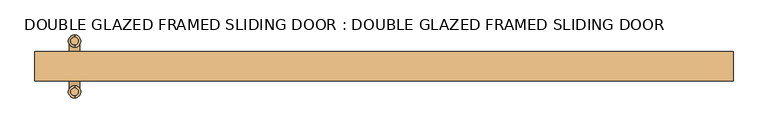
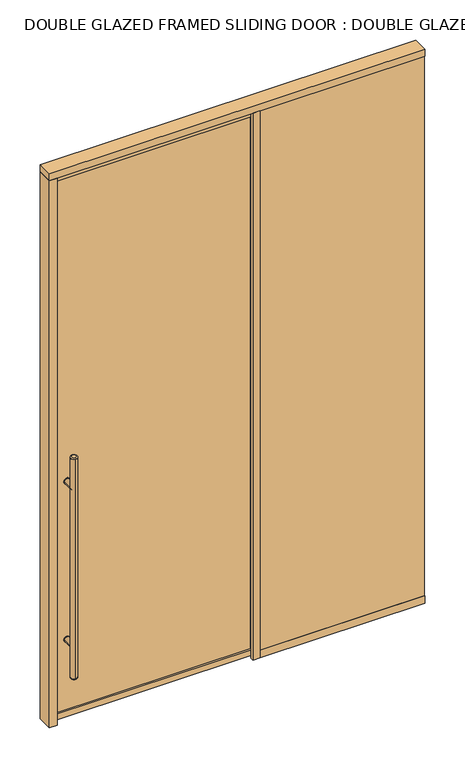
"""IFC4 building model written with IfcOpenShell, lengths in millimetres: door geometry, DOUBLE GLAZED FRAMED SLIDING DOOR : DOUBLE GLAZED FRAMED SLIDING DOOR."""

import ifcopenshell
import ifcopenshell.guid

model = None  # the IFC model being written
_history = None  # IfcOwnerHistory: only IFC2X3 demands one
_inside = {}  # id of a spatial element -> (the spatial element, [elements in it])
_under = {}  # id of a project, library or spatial element -> (it, [spatial elements below it])
_declared = {}  # id of a project -> (the project, [libraries it declares])
_typed = {}  # id of a type object -> (the type object, [elements of that type])
_made_of = {}  # id of a material, layer set ... -> (it, [elements and type objects made of it])


def new_model(schema):
    """Start an empty IFC model of exactly this schema.

    Asked for "IFC4X3", IfcOpenShell would pick the latest addendum, in which some entities
    have other attributes; the version numbers below select the first issue.
    IFC2X3 requires an IfcOwnerHistory on every rooted entity: one is made here for all.
    """
    global model, _history
    if schema == "IFC4X3":
        model = ifcopenshell.file(schema_version=(4, 3, 0, 0))
    else:
        model = ifcopenshell.file(schema=schema)
    _inside.clear()
    _under.clear()
    _declared.clear()
    _typed.clear()
    _made_of.clear()
    _history = None
    if model.schema == "IFC2X3":
        org = make("IfcOrganization", Name="unknown")
        user = make(
            "IfcPersonAndOrganization",
            ThePerson=make("IfcPerson", FamilyName="unknown"),
            TheOrganization=org,
        )
        app = make(
            "IfcApplication",
            ApplicationDeveloper=org,
            Version="unknown",
            ApplicationFullName="unknown",
            ApplicationIdentifier="unknown",
        )
        _history = make(
            "IfcOwnerHistory",
            OwningUser=user,
            OwningApplication=app,
            ChangeAction="ADDED",
            CreationDate=0,
        )
    return model


def make(cls, **values):
    """One entity of the class cls with the attributes given. An attribute that is None is left unset."""
    return model.create_entity(
        cls, **{name: value for name, value in values.items() if value is not None}
    )


def rooted(cls, **values):
    """An entity with a GlobalId (a new one), such as an element, a storey or a relation."""
    return make(cls, GlobalId=ifcopenshell.guid.new(), OwnerHistory=_history, **values)


def si_unit(unit_type, name, prefix=None):
    """IfcSIUnit, for example si_unit("LENGTHUNIT", "METRE", prefix="MILLI")."""
    return make("IfcSIUnit", UnitType=unit_type, Prefix=prefix, Name=name)


def assignment(units):
    """IfcUnitAssignment: the units of a project."""
    return None if units is None else make("IfcUnitAssignment", Units=units)


def point(xyz):
    """IfcCartesianPoint."""
    return None if xyz is None else make("IfcCartesianPoint", Coordinates=xyz)


def direction(xyz):
    """IfcDirection."""
    return None if xyz is None else make("IfcDirection", DirectionRatios=xyz)


def frame(location, z_axis=None, x_axis=None):
    """IfcAxis2Placement3D, a coordinate frame: its origin and axes. An axis left out is left unset."""
    return make(
        "IfcAxis2Placement3D",
        Location=point(location),
        Axis=direction(z_axis),
        RefDirection=direction(x_axis),
    )


def frame_2d(location, x_axis=None):
    """IfcAxis2Placement2D, a coordinate frame in the plane: its origin and x axis."""
    return make(
        "IfcAxis2Placement2D", Location=point(location), RefDirection=direction(x_axis)
    )


def origin():
    """The frame at (0, 0, 0) with its axes left unset."""
    return frame((0.0, 0.0, 0.0))


def origin_with_axes():
    """The frame at (0, 0, 0) with the z axis (0, 0, 1) and the x axis (1, 0, 0) written out."""
    return frame((0.0, 0.0, 0.0), z_axis=(0.0, 0.0, 1.0), x_axis=(1.0, 0.0, 0.0))


def place(relative_to, where):
    """IfcLocalPlacement: puts the frame where relative to a parent placement (None: the world)."""
    return make(
        "IfcLocalPlacement", PlacementRelTo=relative_to, RelativePlacement=where
    )


def context(
    kind, dimensions, precision=None, world=None, true_north=None, identifier=None
):
    """IfcGeometricRepresentationContext, for example the 3D "Model" context."""
    return make(
        "IfcGeometricRepresentationContext",
        ContextIdentifier=identifier,
        ContextType=kind,
        CoordinateSpaceDimension=dimensions,
        Precision=precision,
        WorldCoordinateSystem=world,
        TrueNorth=true_north,
    )


def project(units=None, contexts=None):
    """IfcProject with its units and contexts."""
    return rooted(
        "IfcProject",
        Name="project",
        RepresentationContexts=contexts,
        UnitsInContext=assignment(units),
    )


def spatial(cls, under=None, at=None, **own):
    """A site, building, storey or space (cls), placed at a placement, below another one or the project."""
    s = rooted(cls, ObjectPlacement=at, **own)
    if under is not None:
        _under.setdefault(under.id(), (under, []))[1].append(s)
    return s


def polyline(points):
    """IfcPolyline through the points."""
    return make("IfcPolyline", Points=[point(p) for p in points])


def circle_curve(where, radius):
    """IfcCircle in the frame where."""
    return make("IfcCircle", Position=where, Radius=radius)


def ellipse_curve(where, semi_axis1, semi_axis2):
    """IfcEllipse in the frame where."""
    return make(
        "IfcEllipse", Position=where, SemiAxis1=semi_axis1, SemiAxis2=semi_axis2
    )


def trimmed(basis, trim1, trim2, sense, master):
    """IfcTrimmedCurve: the piece of a basis curve between two trims."""
    return make(
        "IfcTrimmedCurve",
        BasisCurve=basis,
        Trim1=trim1,
        Trim2=trim2,
        SenseAgreement=sense,
        MasterRepresentation=master,
    )


def segment(curve, same_sense, transition):
    """IfcCompositeCurveSegment."""
    return make(
        "IfcCompositeCurveSegment",
        Transition=transition,
        SameSense=same_sense,
        ParentCurve=curve,
    )


def composite_curve(segments, self_intersect=None):
    """IfcCompositeCurve: segments joined end to end."""
    return make("IfcCompositeCurve", Segments=segments, SelfIntersect=self_intersect)


def outline(outer, holes=None, kind="AREA"):
    """IfcArbitraryClosedProfileDef: a profile drawn as a closed curve; with holes, ...WithVoids."""
    if holes is None:
        return make("IfcArbitraryClosedProfileDef", ProfileType=kind, OuterCurve=outer)
    return make(
        "IfcArbitraryProfileDefWithVoids",
        ProfileType=kind,
        OuterCurve=outer,
        InnerCurves=holes,
    )


def extrude(swept, where, along, depth):
    """IfcExtrudedAreaSolid: the profile swept, set in the frame where, extruded along a direction by depth."""
    return make(
        "IfcExtrudedAreaSolid",
        SweptArea=swept,
        Position=where,
        ExtrudedDirection=direction(along),
        Depth=depth,
    )


def shape(context_of_items, identifier, shape_type, items):
    """IfcShapeRepresentation: the items that make up one representation, for example the "Body"."""
    return make(
        "IfcShapeRepresentation",
        ContextOfItems=context_of_items,
        RepresentationIdentifier=identifier,
        RepresentationType=shape_type,
        Items=items,
    )


def source(mapping_origin, context_of_items, identifier, shape_type, items):
    """IfcRepresentationMap: a shape defined once, which mapped items show again and again."""
    return make(
        "IfcRepresentationMap",
        MappingOrigin=mapping_origin,
        MappedRepresentation=shape(context_of_items, identifier, shape_type, items),
    )


def transform(
    local_origin,
    x_axis=None,
    y_axis=None,
    z_axis=None,
    scale=None,
    scale2=None,
    scale3=None,
    uniform=True,
):
    """IfcCartesianTransformationOperator3D, or its non-uniform kind. x_axis, y_axis, z_axis: its Axis1, 2, 3."""
    if uniform:
        return make(
            "IfcCartesianTransformationOperator3D",
            Axis1=direction(x_axis),
            Axis2=direction(y_axis),
            LocalOrigin=point(local_origin),
            Scale=scale,
            Axis3=direction(z_axis),
        )
    return make(
        "IfcCartesianTransformationOperator3DnonUniform",
        Axis1=direction(x_axis),
        Axis2=direction(y_axis),
        LocalOrigin=point(local_origin),
        Scale=scale,
        Axis3=direction(z_axis),
        Scale2=scale2,
        Scale3=scale3,
    )


def mapped(mapping_source, mapping_target):
    """IfcMappedItem: shows the shape of a source again, moved by a transform."""
    return make(
        "IfcMappedItem", MappingSource=mapping_source, MappingTarget=mapping_target
    )


def made_of(thing, what):
    """Note that an element or type object is made of a material, layer set ...; save() writes the relation."""
    if what is not None:
        _made_of.setdefault(what.id(), (what, []))[1].append(thing)
    return thing


def element(
    cls,
    number,
    at=None,
    inside=None,
    cuts=None,
    type_object=None,
    material=None,
    context=None,
    identifier="Body",
    shape_type=None,
    held_by="IfcProductDefinitionShape",
    body=None,
    shapes=None,
    **own,
):
    """One element of the class cls, such as IfcWall. Its Tag is "e" and its number.

    at: its placement. inside: the storey or other place that contains it. cuts: it is an
    opening in that element (IfcRelVoidsElement). A single representation is given by context,
    identifier, shape_type and body (its items); several are given by shapes. held_by: the class
    of the entity that holds the representations. save() writes the other relations.
    """
    e = rooted(cls, Tag="e%d" % number, ObjectPlacement=at, **own)
    if body is not None:
        shapes = [shape(context, identifier, shape_type, body)]
    if shapes is not None:
        e.Representation = make(held_by, Representations=shapes)
    if inside is not None:
        _inside.setdefault(inside.id(), (inside, []))[1].append(e)
    if cuts is not None:
        rooted(
            "IfcRelVoidsElement", RelatingBuildingElement=cuts, RelatedOpeningElement=e
        )
    if type_object is not None:
        _typed.setdefault(type_object.id(), (type_object, []))[1].append(e)
    return made_of(e, material)


def aggregate(whole, parts):
    """IfcRelAggregates: a whole, such as a stair, and the parts it consists of."""
    return rooted("IfcRelAggregates", RelatingObject=whole, RelatedObjects=parts)


def save(model, path):
    """Write the relations noted so far, then the file.

    IfcRelAggregates (storeys below a building ...), IfcRelContainedInSpatialStructure (elements
    in a storey), IfcRelDefinesByType, IfcRelAssociatesMaterial and IfcRelDeclares: one each for
    every whole, place, type object, material and project.
    """
    for whole, parts in _under.values():
        aggregate(whole, parts)
    for where, things in _inside.values():
        rooted(
            "IfcRelContainedInSpatialStructure",
            RelatedElements=things,
            RelatingStructure=where,
        )
    for kind, things in _typed.values():
        rooted("IfcRelDefinesByType", RelatedObjects=things, RelatingType=kind)
    for what, things in _made_of.values():
        rooted("IfcRelAssociatesMaterial", RelatedObjects=things, RelatingMaterial=what)
    for by, libraries in _declared.values():
        rooted("IfcRelDeclares", RelatingContext=by, RelatedDefinitions=libraries)
    model.write(path)


def plane_surface(at):
    """IfcPlane: the flat surface through the origin of the frame at, square to its z axis."""
    return make("IfcPlane", Position=at)


def cylinder_surface(at, radius):
    """IfcCylindricalSurface: all points at the distance radius from the z axis of the frame at."""
    return make("IfcCylindricalSurface", Position=at, Radius=radius)


def revolved_surface(curve, axis_point, axis_direction):
    """IfcSurfaceOfRevolution: the curve turned about the line through axis_point along axis_direction."""
    return make(
        "IfcSurfaceOfRevolution",
        SweptCurve=make("IfcArbitraryOpenProfileDef", ProfileType="CURVE", Curve=curve),
        AxisPosition=make("IfcAxis1Placement", Location=point(axis_point), Axis=direction(axis_direction)),
    )


def advanced_brep(points, edges, surfaces, faces):
    """IfcAdvancedBrep: a solid bounded by faces that lie on surfaces and meet in shared edges.

    An edge is (start, end): straight between two places in points (the first is 0);
    or (start, end, curve); or (start, end, curve, False) where it runs against its curve.
    A face is (place in surfaces, loops), or (place, loops, False) where it looks against
    its surface's normal. A loop lists edges by number (the first is 1), with a minus sign
    where the edge is run from its end to its start. The first loop is the outer one.
    """
    corners = [point(p) for p in points]
    vertices = [make("IfcVertexPoint", VertexGeometry=c) for c in corners]
    made = []
    for start, end, *more in edges:
        made.append(
            make(
                "IfcEdgeCurve",
                EdgeStart=vertices[start],
                EdgeEnd=vertices[end],
                EdgeGeometry=more[0] if more else make("IfcPolyline", Points=[corners[start], corners[end]]),
                SameSense=more[1] if len(more) > 1 else True,
            )
        )
    hull = []
    for where, loops, *sense in faces:
        bounds = []
        for j, loop in enumerate(loops):
            ring = [make("IfcOrientedEdge", EdgeElement=made[abs(k) - 1], Orientation=k > 0) for k in loop]
            bounds.append(
                make(
                    "IfcFaceOuterBound" if j == 0 else "IfcFaceBound",
                    Bound=make("IfcEdgeLoop", EdgeList=ring),
                    Orientation=True,
                )
            )
        hull.append(make("IfcAdvancedFace", Bounds=bounds, FaceSurface=surfaces[where], SameSense=sense[0] if sense else True))
    return make("IfcAdvancedBrep", Outer=make("IfcClosedShell", CfsFaces=hull))


def double_glazed_framed_sliding_door_double_glazed_framed_5af4718a(model_context):
    return source(origin(), model_context, "Body", "SolidModel", [
        extrude(outline(composite_curve([segment(trimmed(circle_curve(frame_2d((428.625, -866.775)), 15.875), [point((428.625, -882.65))], [point((428.625, -850.9))], False, "CARTESIAN"), True, "CONTINUOUS"), segment(trimmed(circle_curve(frame_2d((428.625, -866.775)), 15.875), [point((428.625, -850.9))], [point((428.625, -882.65))], False, "CARTESIAN"), True, "CONTINUOUS")], self_intersect=False)), frame((0.0, 22.225, 0.0), z_axis=(0.0, 1.0, 0.0), x_axis=(0.0, 0.0, 1.0)), (0.0, 0.0, 1.0), 3.175),
        extrude(outline(composite_curve([segment(trimmed(circle_curve(frame_2d((1298.575, -866.775)), 15.875), [point((1298.575, -850.9))], [point((1298.575, -882.65))], False, "CARTESIAN"), True, "CONTINUOUS"), segment(trimmed(circle_curve(frame_2d((1298.575, -866.775)), 15.875), [point((1298.575, -882.65))], [point((1298.575, -850.9))], False, "CARTESIAN"), True, "CONTINUOUS")], self_intersect=False)), frame((0.0, 22.225, 0.0), z_axis=(0.0, 1.0, 0.0), x_axis=(0.0, 0.0, 1.0)), (0.0, 0.0, 1.0), 3.175),
        extrude(outline(composite_curve([segment(trimmed(circle_curve(frame_2d((428.625, -866.775)), 15.875), [point((428.625, -882.65))], [point((428.625, -850.9))], False, "CARTESIAN"), True, "CONTINUOUS"), segment(trimmed(circle_curve(frame_2d((428.625, -866.775)), 15.875), [point((428.625, -850.9))], [point((428.625, -882.65))], False, "CARTESIAN"), True, "CONTINUOUS")], self_intersect=False)), frame((0.0, 38.1, 0.0), z_axis=(0.0, 1.0, 0.0), x_axis=(0.0, 0.0, 1.0)), (0.0, 0.0, 1.0), 3.175),
        extrude(outline(composite_curve([segment(trimmed(circle_curve(frame_2d((1298.575, -866.775)), 15.875), [point((1298.575, -882.65))], [point((1298.575, -850.9))], False, "CARTESIAN"), True, "CONTINUOUS"), segment(trimmed(circle_curve(frame_2d((1298.575, -866.775)), 15.875), [point((1298.575, -850.9))], [point((1298.575, -882.65))], False, "CARTESIAN"), True, "CONTINUOUS")], self_intersect=False)), frame((0.0, 38.1, 0.0), z_axis=(0.0, 1.0, 0.0), x_axis=(0.0, 0.0, 1.0)), (0.0, 0.0, 1.0), 3.175),
        extrude(outline(composite_curve([segment(trimmed(circle_curve(frame_2d((428.625, -866.775)), 14.2875), [point((428.625, -852.4875))], [point((428.625, -881.0625))], False, "CARTESIAN"), True, "CONTINUOUS"), segment(trimmed(circle_curve(frame_2d((428.625, -866.775)), 14.2875), [point((428.625, -881.0625))], [point((428.625, -852.4875))], False, "CARTESIAN"), True, "CONTINUOUS")], self_intersect=False)), frame((0.0, 38.1, 0.0), z_axis=(0.0, 1.0, 0.0), x_axis=(0.0, 0.0, 1.0)), (0.0, 0.0, 1.0), 65.0875),
        extrude(outline(composite_curve([segment(trimmed(circle_curve(frame_2d((1298.575, -866.775)), 14.2875), [point((1298.575, -852.4875))], [point((1298.575, -881.0625))], False, "CARTESIAN"), True, "CONTINUOUS"), segment(trimmed(circle_curve(frame_2d((1298.575, -866.775)), 14.2875), [point((1298.575, -881.0625))], [point((1298.575, -852.4875))], False, "CARTESIAN"), True, "CONTINUOUS")], self_intersect=False)), frame((0.0, 38.1, 0.0), z_axis=(0.0, 1.0, 0.0), x_axis=(0.0, 0.0, 1.0)), (0.0, 0.0, 1.0), 65.0875),
        advanced_brep(
        [(-866.775, -28.8925, 1473.2), (-866.775, -50.4825, 1473.2), (-866.775, -50.4825, 254.0), (-866.775, -28.8925, 254.0), (-866.775, -56.8325, 260.35), (-866.775, -22.5425, 260.35), (-866.775, -22.5425, 1466.85), (-866.775, -56.8325, 1466.85)],
        [
            (0, 1, circle_curve(frame((-866.775, -39.6875, 1473.2), z_axis=(0.0, 0.0, 1.0), x_axis=(0.0, 1.0, 0.0)), 10.795)),
            (1, 0, circle_curve(frame((-866.775, -39.6875, 1473.2), z_axis=(0.0, 0.0, 1.0), x_axis=(0.0, 1.0, 0.0)), 10.795)),
            (2, 3, circle_curve(frame((-866.775, -39.6875, 254.0), z_axis=(0.0, 0.0, -1.0), x_axis=(0.0, 1.0, 0.0)), 10.795)),
            (3, 2, circle_curve(frame((-866.775, -39.6875, 254.0), z_axis=(0.0, 0.0, -1.0), x_axis=(0.0, 1.0, 0.0)), 10.795)),
            (4, 5, circle_curve(frame((-866.775, -39.6875, 260.35), z_axis=(0.0, 0.0, 1.0), x_axis=(0.0, 1.0, 0.0)), 17.145)),
            (5, 6),
            (6, 7, circle_curve(frame((-866.775, -39.6875, 1466.85), z_axis=(0.0, 0.0, -1.0), x_axis=(0.0, 1.0, 0.0)), 17.145)),
            (7, 4),
            (5, 4, circle_curve(frame((-866.775, -39.6875, 260.35), z_axis=(0.0, 0.0, 1.0), x_axis=(0.0, 1.0, 0.0)), 17.145)),
            (7, 6, circle_curve(frame((-866.775, -39.6875, 1466.85), z_axis=(0.0, 0.0, -1.0), x_axis=(0.0, 1.0, 0.0)), 17.145)),
            (2, 4, circle_curve(frame((-866.775, -50.4825, 260.35), z_axis=(-1.0, 0.0, 0.0), x_axis=(0.0, -1.0, 0.0)), 6.35)),
            (5, 3, circle_curve(frame((-866.775, -28.8925, 260.35), z_axis=(-1.0, 0.0, 0.0), x_axis=(0.0, 1.0, 0.0)), 6.35)),
            (7, 1, circle_curve(frame((-866.775, -50.4825, 1466.85), z_axis=(-1.0, 0.0, 0.0), x_axis=(0.0, -1.0, 0.0)), 6.35)),
            (0, 6, circle_curve(frame((-866.775, -28.8925, 1466.85), z_axis=(-1.0, 0.0, 0.0), x_axis=(0.0, 1.0, 0.0)), 6.35)),
        ],
        [
            plane_surface(frame((-866.775, 120.3325, 1473.2), z_axis=(0.0, 0.0, 1.0), x_axis=(-1.0, 0.0, 0.0))),
            plane_surface(frame((-866.775, 120.3325, 254.0), z_axis=(0.0, 0.0, -1.0), x_axis=(1.0, 0.0, 0.0))),
            cylinder_surface(frame((-866.775, -39.6875, 254.0), z_axis=(0.0, 0.0, 1.0), x_axis=(0.0, 1.0, 0.0)), 17.145),
            revolved_surface(trimmed(ellipse_curve(frame((-866.775, -28.8925, 260.35), z_axis=(1.0, 0.0, 0.0), x_axis=(0.0, 1.0, 0.0)), 6.35, 6.35), [point((-866.775, -28.8925, 254.0))], [point((-866.775, -22.5425, 260.35))], True, "CARTESIAN"), (-866.775, -39.6875, 2082.8), (0.0, 0.0, 1.0)),
            revolved_surface(trimmed(ellipse_curve(frame((-866.775, -28.8925, 1466.85), z_axis=(1.0, 0.0, 0.0), x_axis=(0.0, 1.0, 0.0)), 6.35, 6.35), [point((-866.775, -22.5425, 1466.85))], [point((-866.775, -28.8925, 1473.2))], True, "CARTESIAN"), (-866.775, -39.6875, -355.6), (0.0, 0.0, 1.0)),
        ],
        [
            (0, [[1, 2]]),
            (1, [[3, 4]]),
            (2, [[5, 6, 7, 8]]),
            (2, [[9, -8, 10, -6]]),
            (3, [[11, -9, 12, -3]]),
            (3, [[-11, -4, -12, -5]]),
            (4, [[13, -1, 14, -10]]),
            (4, [[-13, -7, -14, -2]]),
        ],
    ),
        advanced_brep(
        [(-866.775, 113.9825, 1473.2), (-866.775, 92.3925, 1473.2), (-866.775, 92.3925, 254.0), (-866.775, 113.9825, 254.0), (-866.775, 86.0425, 260.35), (-866.775, 120.3325, 260.35), (-866.775, 120.3325, 1466.85), (-866.775, 86.0425, 1466.85)],
        [
            (0, 1, circle_curve(frame((-866.775, 103.1875, 1473.2), z_axis=(0.0, 0.0, 1.0), x_axis=(0.0, -1.0, 0.0)), 10.795)),
            (1, 0, circle_curve(frame((-866.775, 103.1875, 1473.2), z_axis=(0.0, 0.0, 1.0), x_axis=(0.0, -1.0, 0.0)), 10.795)),
            (2, 3, circle_curve(frame((-866.775, 103.1875, 254.0), z_axis=(0.0, 0.0, -1.0), x_axis=(0.0, -1.0, 0.0)), 10.795)),
            (3, 2, circle_curve(frame((-866.775, 103.1875, 254.0), z_axis=(0.0, 0.0, -1.0), x_axis=(0.0, -1.0, 0.0)), 10.795)),
            (4, 5, circle_curve(frame((-866.775, 103.1875, 260.35), z_axis=(0.0, 0.0, 1.0), x_axis=(0.0, 1.0, 0.0)), 17.145)),
            (5, 6),
            (6, 7, circle_curve(frame((-866.775, 103.1875, 1466.85), z_axis=(0.0, 0.0, -1.0), x_axis=(0.0, 1.0, 0.0)), 17.145)),
            (7, 4),
            (5, 4, circle_curve(frame((-866.775, 103.1875, 260.35), z_axis=(0.0, 0.0, 1.0), x_axis=(0.0, 1.0, 0.0)), 17.145)),
            (7, 6, circle_curve(frame((-866.775, 103.1875, 1466.85), z_axis=(0.0, 0.0, -1.0), x_axis=(0.0, 1.0, 0.0)), 17.145)),
            (5, 3, circle_curve(frame((-866.775, 113.9825, 260.35), z_axis=(-1.0, 0.0, 0.0), x_axis=(0.0, 1.0, 0.0)), 6.35)),
            (2, 4, circle_curve(frame((-866.775, 92.3925, 260.35), z_axis=(-1.0, 0.0, 0.0), x_axis=(0.0, -1.0, 0.0)), 6.35)),
            (0, 6, circle_curve(frame((-866.775, 113.9825, 1466.85), z_axis=(-1.0, 0.0, 0.0), x_axis=(0.0, 1.0, 0.0)), 6.35)),
            (7, 1, circle_curve(frame((-866.775, 92.3925, 1466.85), z_axis=(-1.0, 0.0, 0.0), x_axis=(0.0, -1.0, 0.0)), 6.35)),
        ],
        [
            plane_surface(frame((-866.775, 120.3325, 1473.2), z_axis=(0.0, 0.0, 1.0), x_axis=(-1.0, 0.0, 0.0))),
            plane_surface(frame((-866.775, 120.3325, 254.0), z_axis=(0.0, 0.0, -1.0), x_axis=(1.0, 0.0, 0.0))),
            cylinder_surface(frame((-866.775, 103.1875, 254.0), z_axis=(0.0, 0.0, 1.0), x_axis=(0.0, 1.0, 0.0)), 17.145),
            revolved_surface(trimmed(ellipse_curve(frame((-866.775, 92.3925, 260.35), z_axis=(1.0, 0.0, 0.0), x_axis=(0.0, -1.0, 0.0)), 6.35, 6.35), [point((-866.775, 86.0425, 260.35))], [point((-866.775, 92.3925, 254.0))], True, "CARTESIAN"), (-866.775, 103.1875, 2082.8), (0.0, 0.0, -1.0)),
            revolved_surface(trimmed(ellipse_curve(frame((-866.775, 92.3925, 1466.85), z_axis=(1.0, 0.0, 0.0), x_axis=(0.0, -1.0, 0.0)), 6.35, 6.35), [point((-866.775, 92.3925, 1473.2))], [point((-866.775, 86.0425, 1466.85))], True, "CARTESIAN"), (-866.775, 103.1875, -355.6), (0.0, 0.0, -1.0)),
        ],
        [
            (0, [[1, 2]]),
            (1, [[3, 4]]),
            (2, [[5, 6, 7, 8]]),
            (2, [[9, -8, 10, -6]]),
            (3, [[11, -3, 12, -9]]),
            (3, [[-11, -5, -12, -4]]),
            (4, [[13, -10, 14, -1]]),
            (4, [[-13, -2, -14, -7]]),
        ],
    ),
        extrude(outline(composite_curve([segment(trimmed(circle_curve(frame_2d((428.625, -866.775)), 14.2875), [point((428.625, -852.4875))], [point((428.625, -881.0625))], False, "CARTESIAN"), True, "CONTINUOUS"), segment(trimmed(circle_curve(frame_2d((428.625, -866.775)), 14.2875), [point((428.625, -881.0625))], [point((428.625, -852.4875))], False, "CARTESIAN"), True, "CONTINUOUS")], self_intersect=False)), frame((0.0, -39.6875, 0.0), z_axis=(0.0, 1.0, 0.0), x_axis=(0.0, 0.0, 1.0)), (0.0, 0.0, 1.0), 65.0875),
        extrude(outline(composite_curve([segment(trimmed(circle_curve(frame_2d((1298.575, -866.775)), 14.2875), [point((1298.575, -852.4875))], [point((1298.575, -881.0625))], False, "CARTESIAN"), True, "CONTINUOUS"), segment(trimmed(circle_curve(frame_2d((1298.575, -866.775)), 14.2875), [point((1298.575, -881.0625))], [point((1298.575, -852.4875))], False, "CARTESIAN"), True, "CONTINUOUS")], self_intersect=False)), frame((0.0, -39.6875, 0.0), z_axis=(0.0, 1.0, 0.0), x_axis=(0.0, 0.0, 1.0)), (0.0, 0.0, 1.0), 65.0875),
        extrude(outline(polyline([(9.525, -968.375), (9.525, 120.6231001), (3003.55, 120.6231001), (3003.55, -968.375), (9.525, -968.375)]), holes=[polyline([(2971.8, -936.625), (2971.8, 88.8731001), (41.275, 88.8731001), (41.275, -936.625), (2971.8, -936.625)])]), frame((0.0, 15.875, 0.0), z_axis=(0.0, 1.0, 0.0), x_axis=(0.0, 0.0, 1.0)), (0.0, 0.0, 1.0), 28.575),
        extrude(outline(polyline([(120.6231001, 6.35), (977.9, 6.35), (977.9, -6.35), (120.6231001, -6.35), (120.6231001, 6.35)])), frame((0.0, 0.0, 41.275), z_axis=(0.0, 0.0, 1.0), x_axis=(1.0, 0.0, 0.0)), (0.0, 0.0, 1.0), 2968.625),
        extrude(outline(polyline([(120.6231001, 69.85), (977.9, 69.85), (977.9, 57.15), (120.6231001, 57.15), (120.6231001, 69.85)])), frame((0.0, 0.0, 41.275), z_axis=(0.0, 0.0, 1.0), x_axis=(1.0, 0.0, 0.0)), (0.0, 0.0, 1.0), 2968.625),
        extrude(outline(polyline([(120.6231001, 9.525), (120.6231001, -9.525), (82.5231001, -9.525), (82.5231001, 9.525), (120.6231001, 9.525)])), origin_with_axes(), (0.0, 0.0, 1.0), 3009.9),
        extrude(outline(polyline([(120.6231001, 73.025), (120.6231001, 53.975), (82.5231001, 53.975), (82.5231001, 73.025), (120.6231001, 73.025)])), origin_with_axes(), (0.0, 0.0, 1.0), 3009.9),
        extrude(outline(polyline([(-977.9, -9.525), (-977.9, 73.025), (-936.625, 73.025), (-936.625, 50.8), (-927.1, 50.8), (-927.1, 44.45), (-936.625, 44.45), (-936.625, 15.875), (-927.1, 15.875), (-927.1, 9.525), (-936.625, 9.525), (-936.625, -9.525), (-977.9, -9.525)])), origin_with_axes(), (0.0, 0.0, 1.0), 3009.9),
        extrude(outline(polyline([(88.8731001, 38.1), (88.8731001, 25.4), (-936.625, 25.4), (-936.625, 38.1), (88.8731001, 38.1)])), frame((0.0, 0.0, 41.275), z_axis=(0.0, 0.0, 1.0), x_axis=(1.0, 0.0, 0.0)), (0.0, 0.0, 1.0), 2930.525),
        extrude(outline(polyline([(977.9, 9.525), (977.9, -9.525), (120.6231001, -9.525), (120.6231001, 9.525), (977.9, 9.525)])), origin_with_axes(), (0.0, 0.0, 1.0), 41.275),
        extrude(outline(polyline([(977.9, 53.975), (120.6231001, 53.975), (120.6231001, 73.025), (977.9, 73.025), (977.9, 53.975)])), origin_with_axes(), (0.0, 0.0, 1.0), 41.275),
        extrude(outline(polyline([(977.9, 73.025), (977.9, -9.525), (-977.9, -9.525), (-977.9, 73.025), (977.9, 73.025)])), frame((0.0, 0.0, 3009.9), z_axis=(0.0, 0.0, 1.0), x_axis=(1.0, 0.0, 0.0)), (0.0, 0.0, 1.0), 38.1),
    ])


if __name__ == "__main__":
    model = new_model("IFC4")
    model_context = context("Model", 3, world=origin())
    ifc_project = project(units=[si_unit("LENGTHUNIT", "METRE", prefix="MILLI")], contexts=[model_context])
    site = spatial("IfcSite", under=ifc_project)
    building = spatial("IfcBuilding", under=site)
    placement = place(None, origin())
    double_glazed_framed_sliding_door_double_glazed_framed_shape = double_glazed_framed_sliding_door_double_glazed_framed_5af4718a(model_context)
    element("IfcDoor", 1, ObjectType="DOUBLE GLAZED FRAMED SLIDING DOOR : DOUBLE GLAZED FRAMED SLIDING DOOR", at=placement, inside=building, context=model_context, shape_type="MappedRepresentation", body=[
        mapped(double_glazed_framed_sliding_door_double_glazed_framed_shape, transform((0.0, 0.0, 0.0), x_axis=(1.0, 0.0, 0.0), y_axis=(0.0, 1.0, 0.0), z_axis=(0.0, 0.0, 1.0))),
    ])
    save(model, "model.ifc")
